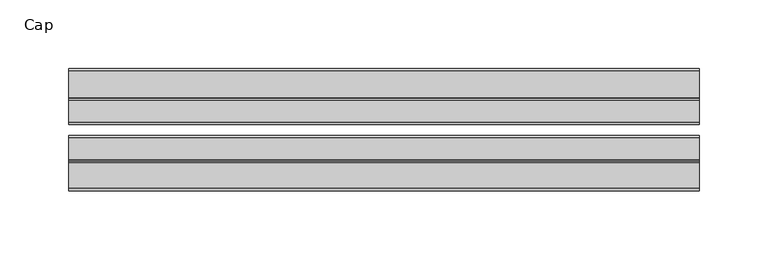
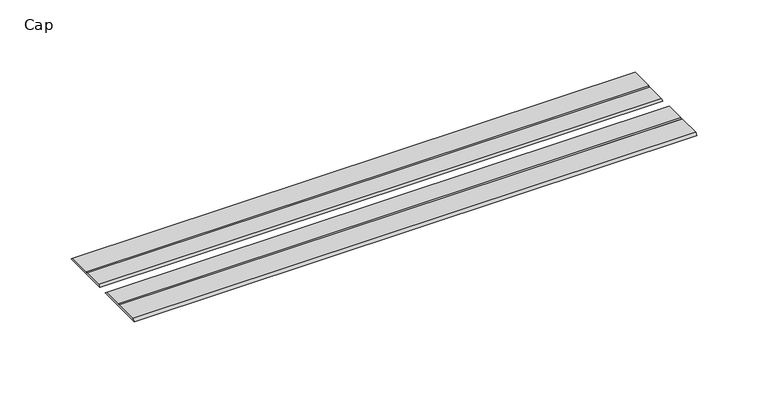
"""IFC4 building model written with IfcOpenShell, lengths in millimetres: furniture geometry, Cap."""

import ifcopenshell
import ifcopenshell.guid

model = None  # the IFC model being written
_history = None  # IfcOwnerHistory: only IFC2X3 demands one
_inside = {}  # id of a spatial element -> (the spatial element, [elements in it])
_under = {}  # id of a project, library or spatial element -> (it, [spatial elements below it])
_declared = {}  # id of a project -> (the project, [libraries it declares])
_typed = {}  # id of a type object -> (the type object, [elements of that type])
_made_of = {}  # id of a material, layer set ... -> (it, [elements and type objects made of it])


def new_model(schema):
    """Start an empty IFC model of exactly this schema.

    Asked for "IFC4X3", IfcOpenShell would pick the latest addendum, in which some entities
    have other attributes; the version numbers below select the first issue.
    IFC2X3 requires an IfcOwnerHistory on every rooted entity: one is made here for all.
    """
    global model, _history
    if schema == "IFC4X3":
        model = ifcopenshell.file(schema_version=(4, 3, 0, 0))
    else:
        model = ifcopenshell.file(schema=schema)
    _inside.clear()
    _under.clear()
    _declared.clear()
    _typed.clear()
    _made_of.clear()
    _history = None
    if model.schema == "IFC2X3":
        org = make("IfcOrganization", Name="unknown")
        user = make(
            "IfcPersonAndOrganization",
            ThePerson=make("IfcPerson", FamilyName="unknown"),
            TheOrganization=org,
        )
        app = make(
            "IfcApplication",
            ApplicationDeveloper=org,
            Version="unknown",
            ApplicationFullName="unknown",
            ApplicationIdentifier="unknown",
        )
        _history = make(
            "IfcOwnerHistory",
            OwningUser=user,
            OwningApplication=app,
            ChangeAction="ADDED",
            CreationDate=0,
        )
    return model


def make(cls, **values):
    """One entity of the class cls with the attributes given. An attribute that is None is left unset."""
    return model.create_entity(
        cls, **{name: value for name, value in values.items() if value is not None}
    )


def rooted(cls, **values):
    """An entity with a GlobalId (a new one), such as an element, a storey or a relation."""
    return make(cls, GlobalId=ifcopenshell.guid.new(), OwnerHistory=_history, **values)


def si_unit(unit_type, name, prefix=None):
    """IfcSIUnit, for example si_unit("LENGTHUNIT", "METRE", prefix="MILLI")."""
    return make("IfcSIUnit", UnitType=unit_type, Prefix=prefix, Name=name)


def assignment(units):
    """IfcUnitAssignment: the units of a project."""
    return None if units is None else make("IfcUnitAssignment", Units=units)


def point(xyz):
    """IfcCartesianPoint."""
    return None if xyz is None else make("IfcCartesianPoint", Coordinates=xyz)


def direction(xyz):
    """IfcDirection."""
    return None if xyz is None else make("IfcDirection", DirectionRatios=xyz)


def frame(location, z_axis=None, x_axis=None):
    """IfcAxis2Placement3D, a coordinate frame: its origin and axes. An axis left out is left unset."""
    return make(
        "IfcAxis2Placement3D",
        Location=point(location),
        Axis=direction(z_axis),
        RefDirection=direction(x_axis),
    )


def origin():
    """The frame at (0, 0, 0) with its axes left unset."""
    return frame((0.0, 0.0, 0.0))


def place(relative_to, where):
    """IfcLocalPlacement: puts the frame where relative to a parent placement (None: the world)."""
    return make(
        "IfcLocalPlacement", PlacementRelTo=relative_to, RelativePlacement=where
    )


def context(
    kind, dimensions, precision=None, world=None, true_north=None, identifier=None
):
    """IfcGeometricRepresentationContext, for example the 3D "Model" context."""
    return make(
        "IfcGeometricRepresentationContext",
        ContextIdentifier=identifier,
        ContextType=kind,
        CoordinateSpaceDimension=dimensions,
        Precision=precision,
        WorldCoordinateSystem=world,
        TrueNorth=true_north,
    )


def project(units=None, contexts=None):
    """IfcProject with its units and contexts."""
    return rooted(
        "IfcProject",
        Name="project",
        RepresentationContexts=contexts,
        UnitsInContext=assignment(units),
    )


def spatial(cls, under=None, at=None, **own):
    """A site, building, storey or space (cls), placed at a placement, below another one or the project."""
    s = rooted(cls, ObjectPlacement=at, **own)
    if under is not None:
        _under.setdefault(under.id(), (under, []))[1].append(s)
    return s


def polyline(points):
    """IfcPolyline through the points."""
    return make("IfcPolyline", Points=[point(p) for p in points])


def outline(outer, holes=None, kind="AREA"):
    """IfcArbitraryClosedProfileDef: a profile drawn as a closed curve; with holes, ...WithVoids."""
    if holes is None:
        return make("IfcArbitraryClosedProfileDef", ProfileType=kind, OuterCurve=outer)
    return make(
        "IfcArbitraryProfileDefWithVoids",
        ProfileType=kind,
        OuterCurve=outer,
        InnerCurves=holes,
    )


def extrude(swept, where, along, depth):
    """IfcExtrudedAreaSolid: the profile swept, set in the frame where, extruded along a direction by depth."""
    return make(
        "IfcExtrudedAreaSolid",
        SweptArea=swept,
        Position=where,
        ExtrudedDirection=direction(along),
        Depth=depth,
    )


def shape(context_of_items, identifier, shape_type, items):
    """IfcShapeRepresentation: the items that make up one representation, for example the "Body"."""
    return make(
        "IfcShapeRepresentation",
        ContextOfItems=context_of_items,
        RepresentationIdentifier=identifier,
        RepresentationType=shape_type,
        Items=items,
    )


def source(mapping_origin, context_of_items, identifier, shape_type, items):
    """IfcRepresentationMap: a shape defined once, which mapped items show again and again."""
    return make(
        "IfcRepresentationMap",
        MappingOrigin=mapping_origin,
        MappedRepresentation=shape(context_of_items, identifier, shape_type, items),
    )


def transform(
    local_origin,
    x_axis=None,
    y_axis=None,
    z_axis=None,
    scale=None,
    scale2=None,
    scale3=None,
    uniform=True,
):
    """IfcCartesianTransformationOperator3D, or its non-uniform kind. x_axis, y_axis, z_axis: its Axis1, 2, 3."""
    if uniform:
        return make(
            "IfcCartesianTransformationOperator3D",
            Axis1=direction(x_axis),
            Axis2=direction(y_axis),
            LocalOrigin=point(local_origin),
            Scale=scale,
            Axis3=direction(z_axis),
        )
    return make(
        "IfcCartesianTransformationOperator3DnonUniform",
        Axis1=direction(x_axis),
        Axis2=direction(y_axis),
        LocalOrigin=point(local_origin),
        Scale=scale,
        Axis3=direction(z_axis),
        Scale2=scale2,
        Scale3=scale3,
    )


def mapped(mapping_source, mapping_target):
    """IfcMappedItem: shows the shape of a source again, moved by a transform."""
    return make(
        "IfcMappedItem", MappingSource=mapping_source, MappingTarget=mapping_target
    )


def made_of(thing, what):
    """Note that an element or type object is made of a material, layer set ...; save() writes the relation."""
    if what is not None:
        _made_of.setdefault(what.id(), (what, []))[1].append(thing)
    return thing


def element(
    cls,
    number,
    at=None,
    inside=None,
    cuts=None,
    type_object=None,
    material=None,
    context=None,
    identifier="Body",
    shape_type=None,
    held_by="IfcProductDefinitionShape",
    body=None,
    shapes=None,
    **own,
):
    """One element of the class cls, such as IfcWall. Its Tag is "e" and its number.

    at: its placement. inside: the storey or other place that contains it. cuts: it is an
    opening in that element (IfcRelVoidsElement). A single representation is given by context,
    identifier, shape_type and body (its items); several are given by shapes. held_by: the class
    of the entity that holds the representations. save() writes the other relations.
    """
    e = rooted(cls, Tag="e%d" % number, ObjectPlacement=at, **own)
    if body is not None:
        shapes = [shape(context, identifier, shape_type, body)]
    if shapes is not None:
        e.Representation = make(held_by, Representations=shapes)
    if inside is not None:
        _inside.setdefault(inside.id(), (inside, []))[1].append(e)
    if cuts is not None:
        rooted(
            "IfcRelVoidsElement", RelatingBuildingElement=cuts, RelatedOpeningElement=e
        )
    if type_object is not None:
        _typed.setdefault(type_object.id(), (type_object, []))[1].append(e)
    return made_of(e, material)


def aggregate(whole, parts):
    """IfcRelAggregates: a whole, such as a stair, and the parts it consists of."""
    return rooted("IfcRelAggregates", RelatingObject=whole, RelatedObjects=parts)


def save(model, path):
    """Write the relations noted so far, then the file.

    IfcRelAggregates (storeys below a building ...), IfcRelContainedInSpatialStructure (elements
    in a storey), IfcRelDefinesByType, IfcRelAssociatesMaterial and IfcRelDeclares: one each for
    every whole, place, type object, material and project.
    """
    for whole, parts in _under.values():
        aggregate(whole, parts)
    for where, things in _inside.values():
        rooted(
            "IfcRelContainedInSpatialStructure",
            RelatedElements=things,
            RelatingStructure=where,
        )
    for kind, things in _typed.values():
        rooted("IfcRelDefinesByType", RelatedObjects=things, RelatingType=kind)
    for what, things in _made_of.values():
        rooted("IfcRelAssociatesMaterial", RelatedObjects=things, RelatingMaterial=what)
    for by, libraries in _declared.values():
        rooted("IfcRelDeclares", RelatingContext=by, RelatedDefinitions=libraries)
    model.write(path)


def cap_02d4c66b(model_context):
    return source(origin(), model_context, "Body", "SweptSolid", [
        extrude(outline(polyline([(11.533055, 0.0), (-28.948195, 0.0), (-27.0760904, 1.5875), (-8.0302549, 1.5875), (-7.1219223, 0.6791674), (-6.2135897, 1.5875), (9.945555, 1.5875), (11.533055, 0.0)])), frame((-198.6228469, 0.0, 0.0), z_axis=(1.0, 0.0, 0.0), x_axis=(0.0, 1.0, 0.0)), (0.0, 0.0, 1.0), 457.2),
        extrude(outline(polyline([(19.470555, 0.0), (21.058055, 1.5875), (37.2171998, 1.5875), (38.1255324, 0.6791674), (39.033865, 1.5875), (58.0797005, 1.5875), (59.951805, 0.0), (19.470555, 0.0)])), frame((-198.6228469, 0.0, 0.0), z_axis=(1.0, 0.0, 0.0), x_axis=(0.0, 1.0, 0.0)), (0.0, 0.0, 1.0), 457.2),
    ])


if __name__ == "__main__":
    model = new_model("IFC4")
    model_context = context("Model", 3, world=origin())
    ifc_project = project(units=[si_unit("LENGTHUNIT", "METRE", prefix="MILLI")], contexts=[model_context])
    site = spatial("IfcSite", under=ifc_project)
    building = spatial("IfcBuilding", under=site)
    placement = place(None, origin())
    cap_shape = cap_02d4c66b(model_context)
    element("IfcFurniture", 1, ObjectType="Cap", at=placement, inside=building, context=model_context, shape_type="MappedRepresentation", body=[
        mapped(cap_shape, transform((0.0, 0.0, 0.0), x_axis=(1.0, 0.0, 0.0), y_axis=(0.0, 1.0, 0.0), z_axis=(0.0, 0.0, 1.0))),
    ])
    save(model, "model.ifc")
